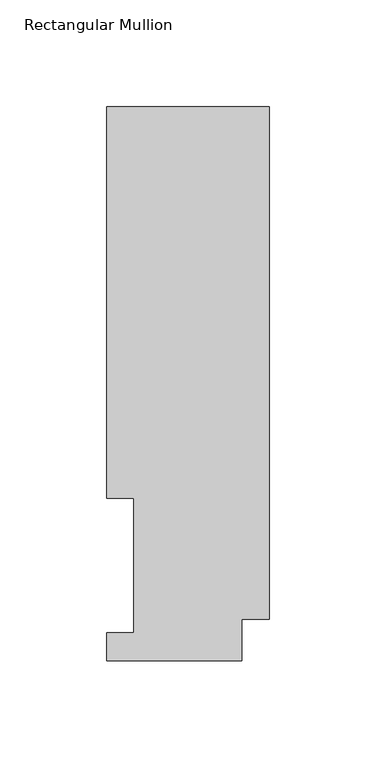
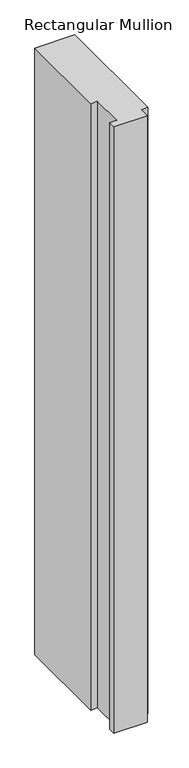
"""IFC4 building model written with IfcOpenShell, lengths in millimetres: member geometry, Rectangular Mullion."""

from ifc_helpers import new_model, si_unit, frame, origin, place, context, project, spatial, polyline, outline, extrude, source, transform, mapped, element, save


def rectangular_mullion_42dd11a1(model_context):
    return source(origin(), model_context, "Body", "SweptSolid", [
        extrude(outline(polyline([(-76.2, 259.9671074), (0.0, 259.9671074), (0.0, 19.5088257), (-12.7, 19.5088257), (-12.7, -0.0333811), (-76.2, -0.0333811), (-76.2, 13.1492189), (-63.5, 13.1492189), (-63.5, 76.2992187), (-76.2, 76.2992187), (-76.2, 259.9671074)])), frame((0.0, 0.0, -1219.2), z_axis=(0.0, 0.0, 1.0), x_axis=(1.0, 0.0, 0.0)), (0.0, 0.0, 1.0), 1219.2),
    ])


if __name__ == "__main__":
    model = new_model("IFC4")
    model_context = context("Model", 3, world=origin())
    ifc_project = project(units=[si_unit("LENGTHUNIT", "METRE", prefix="MILLI")], contexts=[model_context])
    site = spatial("IfcSite", under=ifc_project)
    building = spatial("IfcBuilding", under=site)
    placement = place(None, origin())
    rectangular_mullion_shape = rectangular_mullion_42dd11a1(model_context)
    element("IfcMember", 1, ObjectType="Rectangular Mullion", at=placement, inside=building, context=model_context, shape_type="MappedRepresentation", body=[
        mapped(rectangular_mullion_shape, transform((0.0, 0.0, 0.0), x_axis=(1.0, 0.0, 0.0), y_axis=(0.0, 1.0, 0.0), z_axis=(0.0, 0.0, 1.0))),
    ])
    save(model, "model.ifc")
